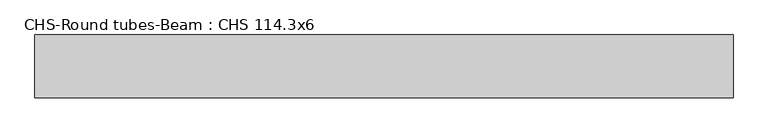
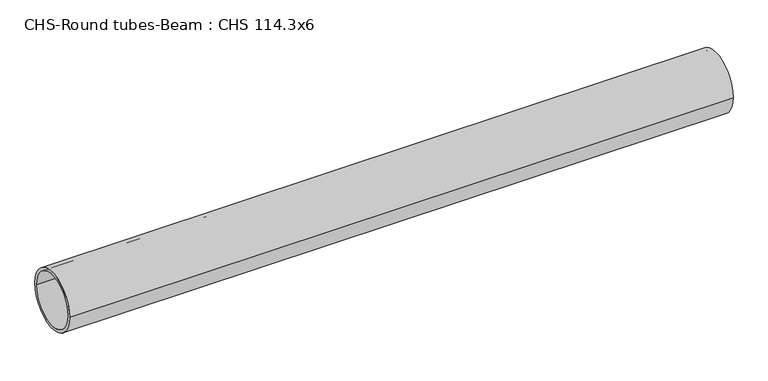
"""IFC4 building model written with IfcOpenShell, lengths in millimetres: beam geometry, CHS-Round tubes-Beam : CHS 114.3x6."""

from ifc_helpers import new_model, si_unit, point, frame, origin, origin_2d, place, context, project, spatial, circle_curve, trimmed, segment, composite_curve, outline, extrude, source, transform, mapped, element, save


def chs_round_tubes_beam_chs_114_3x6_3e0911a9(model_context):
    return source(origin(), model_context, "Body", "SweptSolid", [
        extrude(outline(composite_curve([segment(trimmed(circle_curve(origin_2d(), 57.15), [point((57.15, 0.0))], [point((-57.15, 0.0))], False, "CARTESIAN"), True, "CONTINUOUS"), segment(trimmed(circle_curve(origin_2d(), 57.15), [point((-57.15, 0.0))], [point((57.15, 0.0))], False, "CARTESIAN"), True, "CONTINUOUS")], self_intersect=False), holes=[composite_curve([segment(trimmed(circle_curve(origin_2d(), 51.15), [point((51.15, 0.0))], [point((-51.15, 0.0))], True, "CARTESIAN"), True, "CONTINUOUS"), segment(trimmed(circle_curve(origin_2d(), 51.15), [point((-51.15, 0.0))], [point((51.15, 0.0))], True, "CARTESIAN"), True, "CONTINUOUS")], self_intersect=False)]), frame((-638.765983, 0.0, 0.0), z_axis=(1.0, 0.0, 0.0), x_axis=(0.0, 1.0, 0.0)), (0.0, 0.0, 1.0), 1265.8301173),
    ])


if __name__ == "__main__":
    model = new_model("IFC4")
    model_context = context("Model", 3, world=origin())
    ifc_project = project(units=[si_unit("LENGTHUNIT", "METRE", prefix="MILLI")], contexts=[model_context])
    site = spatial("IfcSite", under=ifc_project)
    building = spatial("IfcBuilding", under=site)
    placement = place(None, origin())
    chs_round_tubes_beam_chs_114_3x6_shape = chs_round_tubes_beam_chs_114_3x6_3e0911a9(model_context)
    element("IfcBeam", 1, ObjectType="CHS-Round tubes-Beam : CHS 114.3x6", at=placement, inside=building, context=model_context, shape_type="MappedRepresentation", body=[
        mapped(chs_round_tubes_beam_chs_114_3x6_shape, transform((0.0, 0.0, 0.0), x_axis=(1.0, 0.0, 0.0), y_axis=(0.0, 1.0, 0.0), z_axis=(0.0, 0.0, 1.0))),
    ])
    save(model, "model.ifc")
